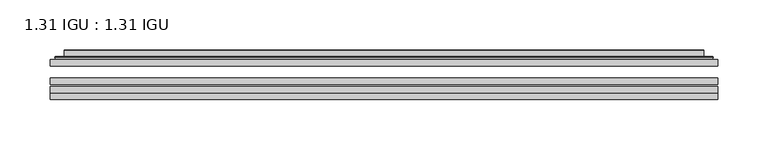
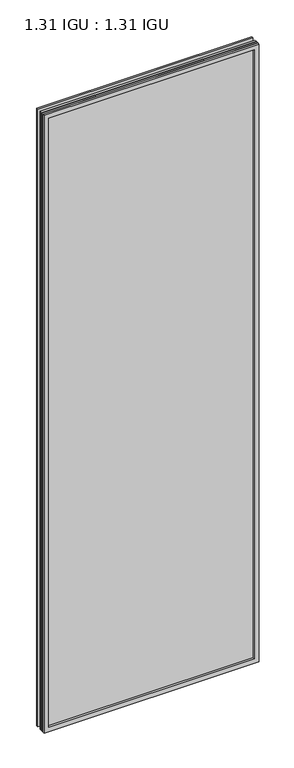
"""IFC4 building model written with IfcOpenShell, lengths in millimetres: plate geometry, 1.31 IGU : 1.31 IGU."""

from ifc_helpers import new_model, si_unit, frame, origin, place, context, project, spatial, polyline, ellipse_curve, outline, extrude, faceted_brep, source, transform, mapped, element, save
from ifc_brep_helpers import plane_surface, cylinder_surface, advanced_brep


def plate_1_31_igu_1_31_igu_8e072884(model_context):
    return source(origin(), model_context, "Body", "SolidModel", [
        extrude(outline(polyline([(333.389175, -63.2975937), (333.389175, -69.6475938), (-333.375, -69.6475938), (-333.375, -63.2975937), (333.389175, -63.2975937)])), frame((0.0, 0.0, -14.2875), z_axis=(0.0, 0.0, 1.0), x_axis=(1.0, 0.0, 0.0)), (0.0, 0.0, 1.0), 2022.4787979),
        extrude(outline(polyline([(-333.375, -78.2835938), (-333.375, -71.9330887), (333.389175, -71.9330887), (333.389175, -78.2835938), (-333.375, -78.2835938)])), frame((0.0, 0.0, -14.2875), z_axis=(0.0, 0.0, 1.0), x_axis=(1.0, 0.0, 0.0)), (0.0, 0.0, 1.0), 2022.4787979),
        extrude(outline(polyline([(333.389175, -44.9587937), (333.389175, -51.3087938), (-333.375, -51.3087938), (-333.375, -44.9587937), (333.389175, -44.9587937)])), frame((0.0, 0.0, -14.2875), z_axis=(0.0, 0.0, 1.0), x_axis=(1.0, 0.0, 0.0)), (0.0, 0.0, 1.0), 2022.4787979),
        faceted_brep([(-333.3877, -84.6335937, 2008.2002), (-333.3877, -78.2835937, 2008.2002), (-333.3877, -78.2835937, -14.3002), (-333.3877, -84.6335937, -14.3002), (333.3877, -78.2835937, -14.3002), (333.3877, -84.6335937, -14.3002), (333.3877, -78.2835937, 2008.2002), (333.3877, -84.6335937, 2008.2002), (-318.1897559, -78.2835937, 0.8977441), (318.1897559, -78.2835937, 0.8977441), (318.1897559, -78.2835937, 1993.0022559), (-318.1897559, -78.2835937, 1993.0022559), (-319.0821902, -84.6335937, 1993.8946902), (319.0821902, -84.6335937, 1993.8946902), (319.0821902, -84.6335937, 0.0053098), (-319.0821902, -84.6335937, 0.0053098)], [[[0, 1, 2, 3]], [[3, 2, 4, 5]], [[5, 4, 6, 7]], [[1, 6, 4, 2], [8, 9, 10, 11]], [[7, 6, 1, 0]], [[3, 5, 7, 0], [12, 13, 14, 15]], [[11, 12, 15, 8]], [[8, 15, 14, 9]], [[9, 14, 13, 10]], [[10, 13, 12, 11]]]),
        advanced_brep(
        [(-326.133719, -44.9587937, 2000.946219), (-328.4879244, -42.9691271, 2003.3004244), (-328.4879244, -42.9691271, -9.4004244), (-326.133719, -44.9587937, -7.046219), (-317.0593939, -41.1187568, 1991.8718939), (-312.1245621, -44.9587937, 1986.9370621), (-312.1245621, -44.9587937, 6.9629379), (-317.0593939, -41.1187568, 2.0281061), (-318.0914217, -35.7215256, 1992.9039217), (-318.0914217, -35.7215256, 0.9960783), (-319.0820784, -35.3225507, 1993.8945784), (-319.0820784, -35.3225507, 0.0054216), (-319.0820784, -41.7837937, 1993.8945784), (-319.0820784, -41.7837937, 0.0054216), (-327.4861349, -41.7837937, 2002.2986349), (-327.4861349, -41.7837937, -8.3986349), (328.4879244, -42.9691271, -9.4004244), (326.133719, -44.9587937, -7.046219), (312.1245621, -44.9587937, 6.9629379), (317.0593939, -41.1187568, 2.0281061), (318.0914217, -35.7215256, 0.9960783), (319.0820784, -35.3225507, 0.0054216), (319.0820784, -41.7837937, 0.0054216), (327.4861349, -41.7837937, -8.3986349), (328.4879244, -42.9691271, 2003.3004244), (326.133719, -44.9587937, 2000.946219), (312.1245621, -44.9587937, 1986.9370621), (317.0593939, -41.1187568, 1991.8718939), (318.0914217, -35.7215256, 1992.9039217), (319.0820784, -35.3225507, 1993.8945784), (319.0820784, -41.7837937, 1993.8945784), (327.4861349, -41.7837937, 2002.2986349)],
        [
            (0, 1, ellipse_curve(frame((-326.133719, -42.5711937, 2000.946219), z_axis=(-0.7071067811865475, 0.0, -0.7071067811865475), x_axis=(-0.7071067811865474, 0.0, 0.7071067811865476)), 3.3765763, 2.3876)),
            (1, 2),
            (2, 3, ellipse_curve(frame((-326.133719, -42.5711937, -7.046219), z_axis=(-0.7071067811865475, 0.0, 0.7071067811865475), x_axis=(0.7071067811865474, 0.0, 0.7071067811865476)), 3.3765763, 2.3876)),
            (3, 0),
            (4, 5),
            (5, 6),
            (6, 7),
            (7, 4),
            (8, 4),
            (7, 9),
            (9, 8),
            (10, 8, ellipse_curve(frame((-318.7151219, -35.840786, 1993.5276219), z_axis=(-0.7071067811865475, 0.0, -0.7071067811865475), x_axis=(-0.7071067811865474, 0.0, 0.7071067811865476)), 0.8980256, 0.635)),
            (9, 11, ellipse_curve(frame((-318.7151219, -35.840786, 0.3723781), z_axis=(-0.7071067811865475, 0.0, 0.7071067811865475), x_axis=(0.7071067811865474, 0.0, 0.7071067811865476)), 0.8980256, 0.635)),
            (11, 10),
            (12, 10),
            (11, 13),
            (13, 12),
            (1, 14, ellipse_curve(frame((-327.4861349, -42.7997937, 2002.2986349), z_axis=(-0.7071067811865475, 0.0, -0.7071067811865475), x_axis=(-0.7071067811865474, 0.0, 0.7071067811865476)), 1.436841, 1.016)),
            (14, 15),
            (15, 2, ellipse_curve(frame((-327.4861349, -42.7997937, -8.3986349), z_axis=(-0.7071067811865475, 0.0, 0.7071067811865475), x_axis=(0.7071067811865474, 0.0, 0.7071067811865476)), 1.436841, 1.016)),
            (2, 16),
            (16, 17, ellipse_curve(frame((326.133719, -42.5711937, -7.046219), z_axis=(-0.7071067811865475, 0.0, -0.7071067811865475), x_axis=(-0.7071067811865476, 0.0, 0.7071067811865474)), 3.3765763, 2.3876)),
            (17, 3),
            (6, 18),
            (18, 19),
            (19, 7),
            (19, 20),
            (20, 9),
            (20, 21, ellipse_curve(frame((318.7151219, -35.840786, 0.3723781), z_axis=(-0.7071067811865475, 0.0, -0.7071067811865475), x_axis=(-0.7071067811865476, 0.0, 0.7071067811865474)), 0.8980256, 0.635)),
            (21, 11),
            (21, 22),
            (22, 13),
            (15, 23),
            (23, 16, ellipse_curve(frame((327.4861349, -42.7997937, -8.3986349), z_axis=(-0.7071067811865475, 0.0, -0.7071067811865475), x_axis=(-0.7071067811865476, 0.0, 0.7071067811865474)), 1.436841, 1.016)),
            (16, 24),
            (24, 25, ellipse_curve(frame((326.133719, -42.5711937, 2000.946219), z_axis=(0.7071067811865475, 0.0, -0.7071067811865475), x_axis=(-0.7071067811865474, 0.0, -0.7071067811865476)), 3.3765763, 2.3876)),
            (25, 17),
            (18, 26),
            (26, 27),
            (27, 19),
            (27, 28),
            (28, 20),
            (28, 29, ellipse_curve(frame((318.7151219, -35.840786, 1993.5276219), z_axis=(0.7071067811865475, 0.0, -0.7071067811865475), x_axis=(-0.7071067811865474, 0.0, -0.7071067811865476)), 0.8980256, 0.635)),
            (29, 21),
            (29, 30),
            (30, 22),
            (23, 31),
            (31, 24, ellipse_curve(frame((327.4861349, -42.7997937, 2002.2986349), z_axis=(0.7071067811865475, 0.0, -0.7071067811865475), x_axis=(-0.7071067811865474, 0.0, -0.7071067811865476)), 1.436841, 1.016)),
            (24, 1),
            (0, 25),
            (5, 26),
            (4, 27),
            (8, 28),
            (10, 29),
            (12, 30),
            (14, 31),
        ],
        [
            cylinder_surface(frame((-326.133719, -42.5711937, 2025.65), z_axis=(0.0, 0.0, 1.0), x_axis=(-1.0, 0.0, 0.0)), 2.3876),
            plane_surface(frame((-312.1245621, -44.9587937, 1986.9370621), z_axis=(0.6141233906514794, 0.7892100234124821, 0.0), x_axis=(0.0, 0.0, -1.0))),
            plane_surface(frame((-317.0593939, -41.1187568, 1991.8718939), z_axis=(0.9822050625507729, 0.18781164793386076, 0.0), x_axis=(0.0, 0.0, -1.0))),
            cylinder_surface(frame((-318.7151219, -35.840786, 2025.65), z_axis=(0.0, 0.0, 1.0), x_axis=(-1.0, 0.0, 0.0)), 0.635),
            plane_surface(frame((-319.0820784, -35.3225507, 1993.8945784), z_axis=(-1.0, 0.0, 0.0), x_axis=(0.0, 0.0, -1.0))),
            cylinder_surface(frame((-327.4861349, -42.7997937, 2025.65), z_axis=(0.0, 0.0, 1.0), x_axis=(-1.0, 0.0, 0.0)), 1.016),
            cylinder_surface(frame((-350.8375, -42.5711937, -7.046219), z_axis=(-1.0, 0.0, 0.0), x_axis=(0.0, 0.0, -1.0)), 2.3876),
            plane_surface(frame((-312.1245621, -44.9587937, 6.9629379), z_axis=(0.0, 0.7892100234124841, 0.6141233906514768), x_axis=(1.0, 0.0, 0.0))),
            plane_surface(frame((-317.0593939, -41.1187568, 2.0281061), z_axis=(0.0, 0.18781164793386393, 0.9822050625507723), x_axis=(1.0, 0.0, 0.0))),
            cylinder_surface(frame((-350.8375, -35.840786, 0.3723781), z_axis=(-1.0, 0.0, 0.0), x_axis=(0.0, 0.0, -1.0)), 0.635),
            plane_surface(frame((-319.0820784, -35.3225507, 0.0054216), z_axis=(0.0, 0.0, -1.0), x_axis=(1.0, 0.0, 0.0))),
            cylinder_surface(frame((-350.8375, -42.7997937, -8.3986349), z_axis=(-1.0, 0.0, 0.0), x_axis=(0.0, 0.0, -1.0)), 1.016),
            cylinder_surface(frame((326.133719, -42.5711937, -31.75), z_axis=(0.0, 0.0, -1.0), x_axis=(1.0, 0.0, 0.0)), 2.3876),
            plane_surface(frame((312.1245621, -44.9587937, 6.9629379), z_axis=(-0.6141233906514743, 0.7892100234124861, 0.0), x_axis=(0.0, 0.0, 1.0))),
            plane_surface(frame((317.0593939, -41.1187568, 2.0281061), z_axis=(-0.9822050625507718, 0.1878116479338671, 0.0), x_axis=(0.0, 0.0, 1.0))),
            cylinder_surface(frame((318.7151219, -35.840786, -31.75), z_axis=(0.0, 0.0, -1.0), x_axis=(1.0, 0.0, 0.0)), 0.635),
            plane_surface(frame((319.0820784, -35.3225507, 0.0054216), z_axis=(1.0, 0.0, 0.0), x_axis=(0.0, 0.0, 1.0))),
            cylinder_surface(frame((327.4861349, -42.7997937, -31.75), z_axis=(0.0, 0.0, -1.0), x_axis=(1.0, 0.0, 0.0)), 1.016),
            cylinder_surface(frame((350.8375, -42.5711937, 2000.946219), z_axis=(1.0, 0.0, 0.0), x_axis=(0.0, 0.0, 1.0)), 2.3876),
            plane_surface(frame((326.133719, -44.9587937, 2000.946219), z_axis=(0.0, -1.0, 0.0), x_axis=(-1.0, 0.0, 0.0))),
            plane_surface(frame((312.1245621, -44.9587937, 1986.9370621), z_axis=(0.0, 0.7892100234124841, -0.6141233906514768), x_axis=(-1.0, 0.0, 0.0))),
            plane_surface(frame((317.0593939, -41.1187568, 1991.8718939), z_axis=(0.0, 0.18781164793386393, -0.9822050625507723), x_axis=(-1.0, 0.0, 0.0))),
            cylinder_surface(frame((350.8375, -35.840786, 1993.5276219), z_axis=(1.0, 0.0, 0.0), x_axis=(0.0, 0.0, 1.0)), 0.635),
            plane_surface(frame((319.0820784, -35.3225507, 1993.8945784), z_axis=(0.0, 0.0, 1.0), x_axis=(-1.0, 0.0, 0.0))),
            plane_surface(frame((319.0820784, -41.7837937, 1993.8945784), z_axis=(0.0, 1.0, 0.0), x_axis=(-1.0, 0.0, 0.0))),
            cylinder_surface(frame((350.8375, -42.7997937, 2002.2986349), z_axis=(1.0, 0.0, 0.0), x_axis=(0.0, 0.0, 1.0)), 1.016),
        ],
        [
            (0, [[1, 2, 3, 4]]),
            (1, [[5, 6, 7, 8]]),
            (2, [[9, -8, 10, 11]]),
            (3, [[12, -11, 13, 14]]),
            (4, [[15, -14, 16, 17]]),
            (5, [[18, 19, 20, -2]]),
            (6, [[-3, 21, 22, 23]]),
            (7, [[-7, 24, 25, 26]]),
            (8, [[-10, -26, 27, 28]]),
            (9, [[-13, -28, 29, 30]]),
            (10, [[-16, -30, 31, 32]]),
            (11, [[-20, 33, 34, -21]]),
            (12, [[-22, 35, 36, 37]]),
            (13, [[-25, 38, 39, 40]]),
            (14, [[-27, -40, 41, 42]]),
            (15, [[-29, -42, 43, 44]]),
            (16, [[-31, -44, 45, 46]]),
            (17, [[-34, 47, 48, -35]]),
            (18, [[-36, 49, -1, 50]]),
            (19, [[-23, -37, -50, -4], [51, -38, -24, -6]]),
            (20, [[-39, -51, -5, 52]]),
            (21, [[-41, -52, -9, 53]]),
            (22, [[-43, -53, -12, 54]]),
            (23, [[-45, -54, -15, 55]]),
            (24, [[56, -47, -33, -19], [-32, -46, -55, -17]]),
            (25, [[-48, -56, -18, -49]]),
        ],
    ),
    ])


if __name__ == "__main__":
    model = new_model("IFC4")
    model_context = context("Model", 3, world=origin())
    ifc_project = project(units=[si_unit("LENGTHUNIT", "METRE", prefix="MILLI")], contexts=[model_context])
    site = spatial("IfcSite", under=ifc_project)
    building = spatial("IfcBuilding", under=site)
    placement = place(None, origin())
    plate_1_31_igu_1_31_igu_shape = plate_1_31_igu_1_31_igu_8e072884(model_context)
    element("IfcPlate", 1, ObjectType="1.31 IGU : 1.31 IGU", at=placement, inside=building, context=model_context, shape_type="MappedRepresentation", body=[
        mapped(plate_1_31_igu_1_31_igu_shape, transform((0.0, 0.0, 0.0), x_axis=(1.0, 0.0, 0.0), y_axis=(0.0, 1.0, 0.0), z_axis=(0.0, 0.0, 1.0))),
    ])
    save(model, "model.ifc")
